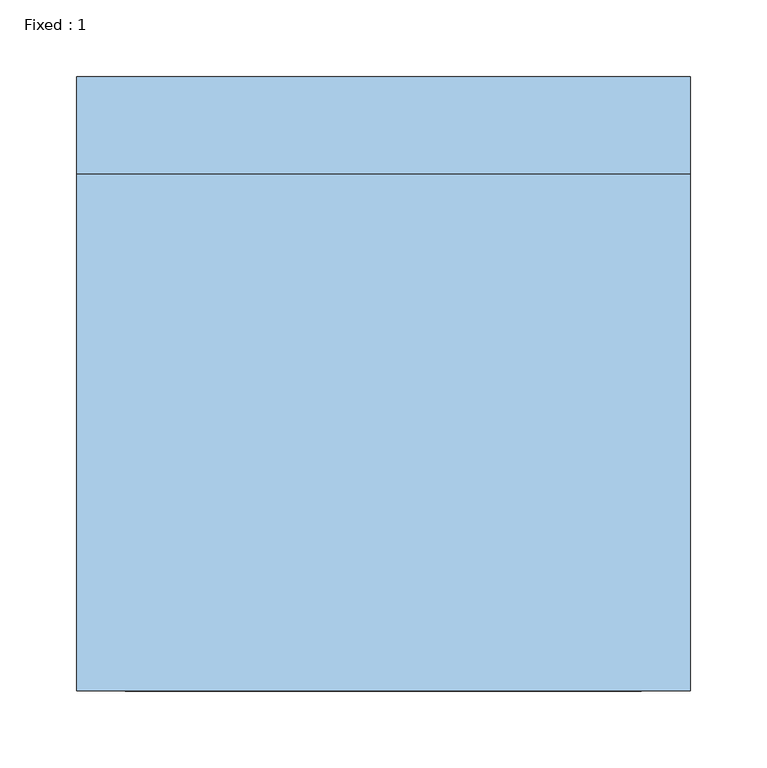
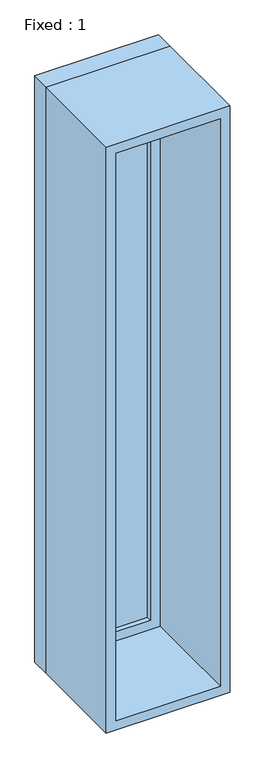
"""IFC4 building model written with IfcOpenShell, lengths in millimetres: window geometry, Fixed : 1."""

from ifc_helpers import new_model, si_unit, frame, origin, place, context, project, spatial, polyline, outline, extrude, source, transform, mapped, element, save


def fixed_1_748f2877(model_context):
    return source(origin(), model_context, "Body", "SweptSolid", [
        extrude(outline(polyline([(98.4, 152.375), (-174.6, 152.375), (-174.6, 165.075), (98.4, 165.075), (98.4, 152.375)])), frame((0.0, 0.0, 977.9), z_axis=(0.0, 0.0, 1.0), x_axis=(1.0, 0.0, 0.0)), (0.0, 0.0, 1.0), 1873.0),
        extrude(outline(polyline([(2895.35, -219.05), (933.45, -219.05), (933.45, 142.85), (2895.35, 142.85), (2895.35, -219.05)]), holes=[polyline([(2850.9, -174.6), (2850.9, 98.4), (977.9, 98.4), (977.9, -174.6), (2850.9, -174.6)])]), frame((0.0, 136.5, 0.0), z_axis=(0.0, 1.0, 0.0), x_axis=(0.0, 0.0, 1.0)), (0.0, 0.0, 1.0), 44.45),
        extrude(outline(polyline([(2914.4, -238.1), (914.4, -238.1), (914.4, 161.9), (2914.4, 161.9), (2914.4, -238.1)]), holes=[polyline([(2882.65, -206.35), (2882.65, 130.15), (946.15, 130.15), (946.15, -206.35), (2882.65, -206.35)])]), frame((0.0, -200.0, 0.0), z_axis=(0.0, 1.0, 0.0), x_axis=(0.0, 0.0, 1.0)), (0.0, 0.0, 1.0), 336.5),
        extrude(outline(polyline([(2914.4, 161.9), (2914.4, -238.1), (914.4, -238.1), (914.4, 161.9), (2914.4, 161.9)]), holes=[polyline([(2895.35, 142.85), (933.45, 142.85), (933.45, -219.05), (2895.35, -219.05), (2895.35, 142.85)])]), frame((0.0, 136.5, 0.0), z_axis=(0.0, 1.0, 0.0), x_axis=(0.0, 0.0, 1.0)), (0.0, 0.0, 1.0), 63.5),
    ])


if __name__ == "__main__":
    model = new_model("IFC4")
    model_context = context("Model", 3, world=origin())
    ifc_project = project(units=[si_unit("LENGTHUNIT", "METRE", prefix="MILLI")], contexts=[model_context])
    site = spatial("IfcSite", under=ifc_project)
    building = spatial("IfcBuilding", under=site)
    placement = place(None, origin())
    fixed_1_shape = fixed_1_748f2877(model_context)
    element("IfcWindow", 1, ObjectType="Fixed : 1", at=placement, inside=building, context=model_context, shape_type="MappedRepresentation", body=[
        mapped(fixed_1_shape, transform((0.0, 0.0, 0.0), x_axis=(1.0, 0.0, 0.0), y_axis=(0.0, 1.0, 0.0), z_axis=(0.0, 0.0, 1.0))),
    ])
    save(model, "model.ifc")
